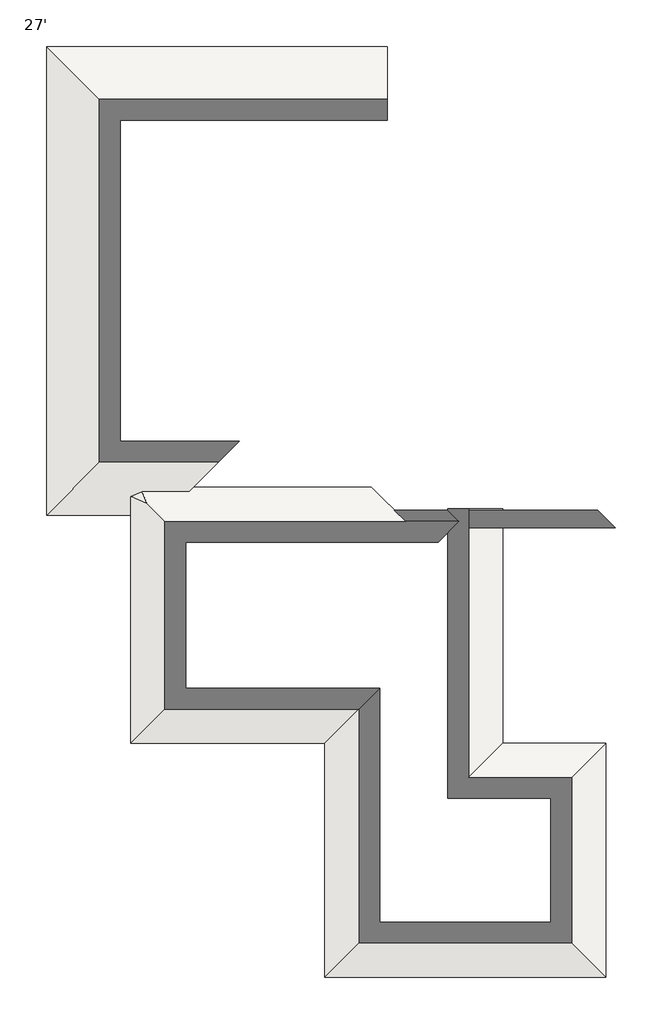
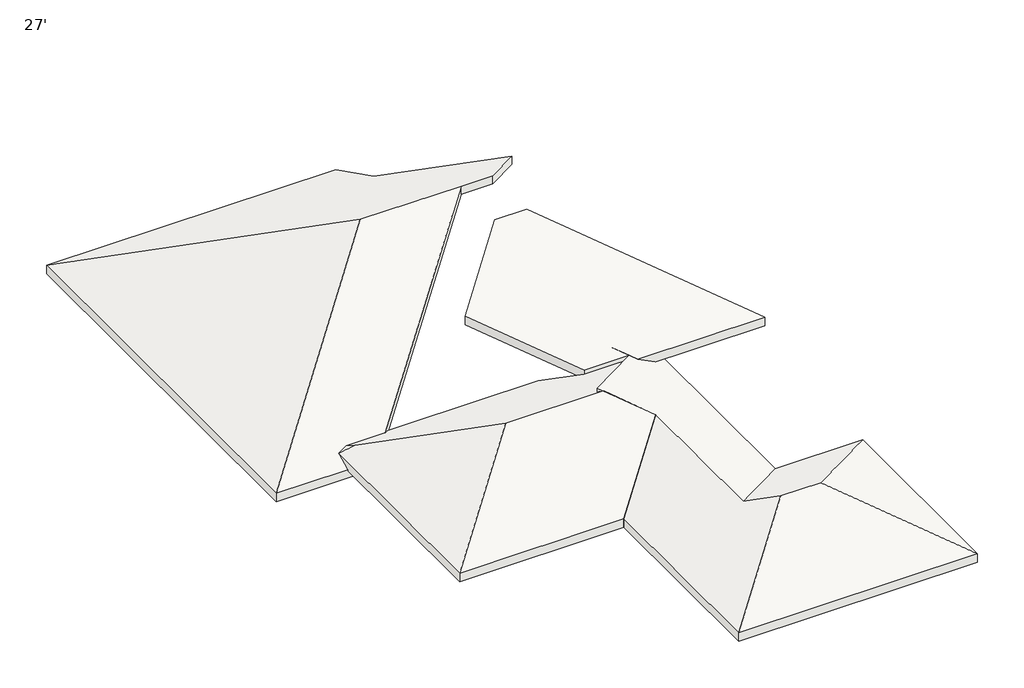
# One storey: 4 roofs.
"""IFC4 building model written with IfcOpenShell, lengths in millimetres."""

from ifc_helpers import new_model, si_unit, origin, place, context, project, spatial, faceted_brep, element, save

model = new_model("IFC4")

# Units and contexts
model_context = context("Model", 3, world=origin())
ifc_project = project(units=[si_unit("LENGTHUNIT", "METRE", prefix="MILLI")], contexts=[model_context])

# Site, building, storey
site = spatial("IfcSite", under=ifc_project)
building = spatial("IfcBuilding", under=site)
storey = spatial("IfcBuildingStorey", under=building, Name="27'", Elevation=8229.6)

# Roofs
placement = place(None, origin())
element("IfcRoof", 1, ObjectType="Generic - 12\"", at=placement, inside=storey, context=model_context, shape_type="Brep", body=[
    faceted_brep([(-5715.8139332, 19516.9675338, 11176.0), (-7443.0139332, 17789.7675338, 12039.6), (-8662.2139332, 17789.7675338, 12039.6), (-12523.0139332, 17789.7675338, 12039.6), (-20143.0139332, 25409.7675338, 8229.6), (-9068.6139332, 25409.7675338, 8229.6), (-9068.6139332, 22869.7675338, 9499.6), (-20143.0139332, 10169.7675338, 8229.6), (-7443.0139332, 17789.7675338, 12380.3767598), (-5715.8139332, 19516.9675338, 11516.7767598), (-9068.6139332, 22869.7675338, 9840.3767598), (-9068.6139332, 25409.7675338, 8570.3767598), (-20143.0139332, 25409.7675338, 8570.3767598), (-12523.0139332, 17789.7675338, 12380.3767598), (-8662.2139332, 17789.7675338, 12380.3767598), (-20143.0139332, 10169.7675338, 8570.3767598), (-16282.2139332, 10169.7675338, 8229.6), (-16282.2139332, 10169.7675338, 8570.3767598)], [[[0, 1, 2, 3, 4, 5, 6]], [[4, 3, 7]], [[8, 9, 10, 11, 12, 13, 14]], [[12, 15, 13]], [[4, 12, 11, 5]], [[7, 15, 12, 4]], [[9, 8, 1, 0]], [[16, 7, 3, 2]], [[15, 17, 14, 13]], [[16, 17, 15, 7]], [[8, 14, 2, 1]], [[11, 10, 6, 5]], [[10, 9, 0, 6]], [[14, 17, 16, 2]]]),
])
element("IfcRoof", 2, ObjectType="Generic - 12\"", at=placement, inside=storey, context=model_context, shape_type="Brep", body=[
    faceted_brep([(-1956.6139332, -4867.0324662, 8534.4), (-5766.6139332, -1057.0324662, 10439.4), (-1956.6139332, 2752.9675338, 8534.4), (-7290.6139332, -1057.0324662, 10439.4), (-8205.0139332, -142.6324662, 9982.2), (-5309.4139332, 2752.9675338, 8534.4), (-11100.6139332, -4867.0324662, 8534.4), (-8205.0139332, 5648.5675338, 9982.2), (-9627.4139332, 7070.9675338, 10693.4), (-6731.8139332, 9966.5675338, 9245.6), (-7145.5763008, 10380.3299014, 9452.4811838), (-5309.4139332, 10380.3299014, 8534.4), (-11100.6139332, 2752.9675338, 8534.4), (-1956.6139332, -4867.0324662, 8875.1767598), (-1956.6139332, 2752.9675338, 8875.1767598), (-5766.6139332, -1057.0324662, 10780.1767598), (-8205.0139332, 5648.5675338, 10322.9767598), (-8205.0139332, -142.6324662, 10322.9767598), (-5309.4139332, 2752.9675338, 8875.1767598), (-5309.4139332, 10380.3299014, 8875.1767598), (-7145.5763008, 10380.3299014, 9793.2579436), (-6731.8139332, 9966.5675338, 9586.3767598), (-9627.4139332, 7070.9675338, 11034.1767598), (-7290.6139332, -1057.0324662, 10780.1767598), (-11100.6139332, -4867.0324662, 8875.1767598), (-11100.6139332, 2752.9675338, 8875.1767598)], [[[0, 1, 2]], [[2, 1, 3, 4, 5]], [[6, 3, 1, 0]], [[7, 8, 9, 10, 11, 5, 4]], [[7, 4, 3, 6, 12]], [[13, 14, 15]], [[16, 17, 18, 19, 20, 21, 22]], [[14, 18, 17, 23, 15]], [[24, 13, 15, 23]], [[16, 25, 24, 23, 17]], [[6, 24, 25, 12]], [[0, 13, 24, 6]], [[2, 14, 13, 0]], [[5, 18, 14, 2]], [[11, 19, 18, 5]], [[25, 16, 7, 12]], [[16, 22, 8, 7]], [[22, 21, 9, 8]], [[21, 20, 10, 9]], [[20, 19, 11, 10]]]),
])
element("IfcRoof", 3, ObjectType="Generic - 12\"", at=placement, inside=storey, context=model_context, shape_type="Brep", body=[
    faceted_brep([(-11100.6139332, 2752.9675338, 8534.4), (-17399.8139332, 2752.9675338, 8534.4), (-13234.2139332, 6918.5675338, 10617.2), (-9475.0139332, 6918.5675338, 10617.2), (-8205.0139332, 5648.5675338, 9982.2), (-17095.0139332, 11084.1675338, 8534.4), (-16879.4877863, 10563.8413869, 8794.5630735), (-17399.8139332, 10779.3675338, 8534.4), (-11100.6139332, 2752.9675338, 8875.1767598), (-8205.0139332, 5648.5675338, 10322.9767598), (-9475.0139332, 6918.5675338, 10957.9767598), (-13234.2139332, 6918.5675338, 10957.9767598), (-17399.8139332, 2752.9675338, 8875.1767598), (-17095.0139332, 11084.1675338, 8875.1767598), (-17399.8139332, 10779.3675338, 8875.1767598), (-16879.4877863, 10563.8413869, 9135.3398332), (-9627.4139332, 7070.9675338, 10541.0), (-9576.6139332, 11084.1675338, 8534.4), (-8459.0139332, 9966.5675338, 9093.2), (-6731.8139332, 9966.5675338, 9093.2), (-9627.4139332, 7070.9675338, 10881.7767598), (-6731.8139332, 9966.5675338, 9433.9767598), (-8459.0139332, 9966.5675338, 9433.9767598), (-9576.6139332, 11084.1675338, 8875.1767598)], [[[0, 1, 2, 3, 4]], [[5, 6, 7]], [[7, 6, 2, 1]], [[8, 9, 10, 11, 12]], [[13, 14, 15]], [[14, 12, 11, 15]], [[7, 14, 13, 5]], [[1, 12, 14, 7]], [[0, 8, 12, 1]], [[9, 8, 0, 4]], [[16, 3, 2, 6, 5, 17, 18, 19]], [[20, 21, 22, 23, 13, 15, 11, 10]], [[5, 13, 23, 17]], [[21, 20, 16, 19]], [[22, 21, 19, 18]], [[20, 10, 9, 4, 3, 16]], [[23, 22, 18, 17]]]),
])
element("IfcRoof", 4, ObjectType="Generic - 12\"", at=placement, inside=storey, context=model_context, shape_type="Brep", body=[
    faceted_brep([(-7443.0139332, 15554.5675338, 12039.6), (-1651.8139332, 9763.3675338, 9144.0), (-6528.6139332, 9763.3675338, 9144.0), (-6731.8139332, 9966.5675338, 9245.6), (-8459.0139332, 9966.5675338, 9245.6), (-11354.6139332, 12862.1675338, 10693.4), (-8662.2139332, 15554.5675338, 12039.6), (-1651.8139332, 9763.3675338, 9484.7767598), (-7443.0139332, 15554.5675338, 12380.3767598), (-8662.2139332, 15554.5675338, 12380.3767598), (-11354.6139332, 12862.1675338, 11034.1767598), (-8459.0139332, 9966.5675338, 9586.3767598), (-6731.8139332, 9966.5675338, 9586.3767598), (-6528.6139332, 9763.3675338, 9484.7767598)], [[[0, 1, 2, 3, 4, 5, 6]], [[7, 8, 9, 10, 11, 12, 13]], [[1, 7, 13, 2]], [[8, 7, 1, 0]], [[9, 8, 0, 6]], [[13, 12, 3, 2]], [[11, 10, 5, 4]], [[12, 11, 4, 3]], [[10, 9, 6, 5]]]),
])

save(model, "model.ifc")
